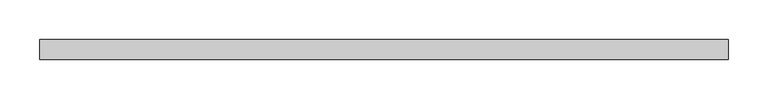
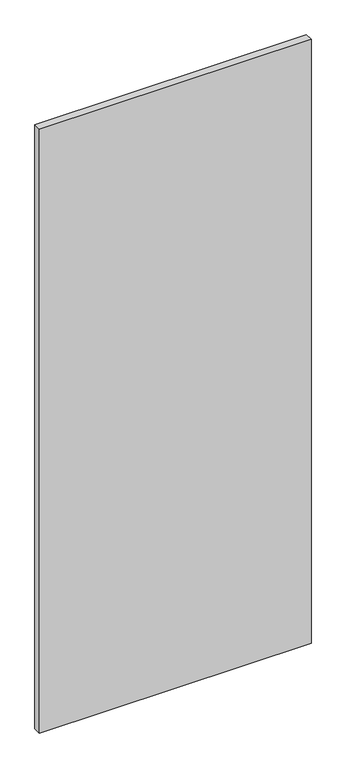
"""IFC4 building model written with IfcOpenShell, lengths in millimetres: plate geometry."""

from ifc_helpers import new_model, si_unit, origin, origin_with_axes, place, context, project, spatial, polyline, outline, extrude, source, transform, mapped, element, save


def plate_8cd44978(model_context):
    return source(origin(), model_context, "Body", "SweptSolid", [
        extrude(outline(polyline([(430.7834526, 24.5), (-430.7834526, 24.5), (-430.7834526, 49.5), (430.7834526, 49.5), (430.7834526, 24.5)])), origin_with_axes(), (0.0, 0.0, 1.0), 2025.0),
    ])


if __name__ == "__main__":
    model = new_model("IFC4")
    model_context = context("Model", 3, world=origin())
    ifc_project = project(units=[si_unit("LENGTHUNIT", "METRE", prefix="MILLI")], contexts=[model_context])
    site = spatial("IfcSite", under=ifc_project)
    building = spatial("IfcBuilding", under=site)
    placement = place(None, origin())
    plate_shape = plate_8cd44978(model_context)
    element("IfcPlate", 1, at=placement, inside=building, context=model_context, shape_type="MappedRepresentation", body=[
        mapped(plate_shape, transform((0.0, 0.0, 0.0), x_axis=(1.0, 0.0, 0.0), y_axis=(0.0, 1.0, 0.0), z_axis=(0.0, 0.0, 1.0))),
    ])
    save(model, "model.ifc")
